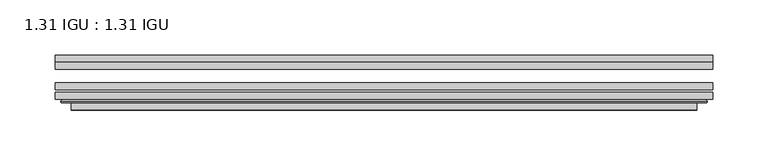
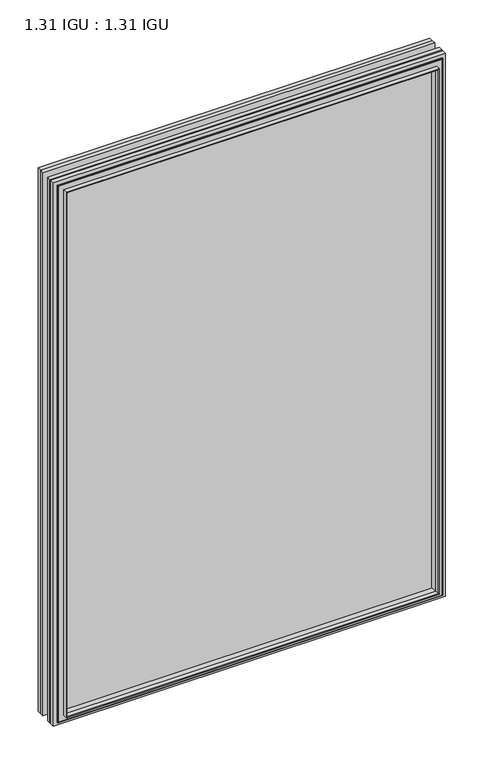
"""IFC4 building model written with IfcOpenShell, lengths in millimetres: plate geometry, 1.31 IGU : 1.31 IGU."""

from ifc_helpers import new_model, si_unit, frame, origin, place, context, project, spatial, polyline, ellipse_curve, outline, extrude, faceted_brep, source, transform, mapped, element, save
from ifc_brep_helpers import plane_surface, cylinder_surface, advanced_brep


def plate_1_31_igu_1_31_igu_263f40d9(model_context):
    return source(origin(), model_context, "Body", "SolidModel", [
        extrude(outline(polyline([(296.7310218, -66.4725937), (296.7310218, -72.8225938), (-296.7168469, -72.8225938), (-296.7168469, -66.4725937), (296.7310218, -66.4725937)])), frame((0.0, 0.0, -14.2875), z_axis=(0.0, 0.0, 1.0), x_axis=(1.0, 0.0, 0.0)), (0.0, 0.0, 1.0), 869.9537979),
        extrude(outline(polyline([(-296.7168469, -81.4585938), (-296.7168469, -75.1080887), (296.7310218, -75.1080887), (296.7310218, -81.4585938), (-296.7168469, -81.4585938)])), frame((0.0, 0.0, -14.2875), z_axis=(0.0, 0.0, 1.0), x_axis=(1.0, 0.0, 0.0)), (0.0, 0.0, 1.0), 869.9537979),
        extrude(outline(polyline([(296.7310218, -48.1337937), (296.7310218, -54.4837938), (-296.7168469, -54.4837938), (-296.7168469, -48.1337937), (296.7310218, -48.1337937)])), frame((0.0, 0.0, -14.2875), z_axis=(0.0, 0.0, 1.0), x_axis=(1.0, 0.0, 0.0)), (0.0, 0.0, 1.0), 869.9537979),
        faceted_brep([(-282.4240371, -41.7837938, 841.3696902), (-281.5316028, -48.1337937, 840.4772559), (-281.5316028, -48.1337937, 0.8977441), (-282.4240371, -41.7837938, 0.0053098), (-296.7295469, -48.1337937, 855.6752), (-296.7295469, -41.7837938, 855.6752), (-296.7295469, -41.7837938, -14.3002), (-296.7295469, -48.1337937, -14.3002), (281.5316028, -48.1337937, 0.8977441), (282.4240371, -41.7837938, 0.0053098), (296.7295469, -41.7837938, -14.3002), (296.7295469, -48.1337937, -14.3002), (281.5316028, -48.1337937, 840.4772559), (282.4240371, -41.7837938, 841.3696902), (296.7295469, -41.7837938, 855.6752), (296.7295469, -48.1337937, 855.6752)], [[[0, 1, 2, 3]], [[4, 5, 6, 7]], [[3, 2, 8, 9]], [[7, 6, 10, 11]], [[9, 8, 12, 13]], [[11, 10, 14, 15]], [[7, 11, 15, 4], [1, 12, 8, 2]], [[13, 12, 1, 0]], [[5, 14, 10, 6], [3, 9, 13, 0]], [[15, 14, 5, 4]]]),
        advanced_brep(
        [(-290.8279818, -84.6335938, 849.7736349), (-291.8297713, -83.4482604, 850.7754244), (-291.8297713, -83.4482604, -9.4004244), (-290.8279818, -84.6335938, -8.3986349), (-282.4239253, -91.0948368, 841.3695784), (-282.4239253, -84.6335938, 841.3695784), (-282.4239253, -84.6335938, 0.0054216), (-282.4239253, -91.0948368, 0.0054216), (-281.4332685, -90.6958619, 840.3789217), (-281.4332685, -90.6958619, 0.9960783), (-280.4012408, -85.2986307, 839.3468939), (-280.4012408, -85.2986307, 2.0281061), (-275.4664089, -81.4585938, 834.4120621), (-275.4664089, -81.4585938, 6.9629379), (-289.4755659, -81.4585938, 848.421219), (-289.4755659, -81.4585938, -7.046219), (291.8297713, -83.4482604, -9.4004244), (290.8279818, -84.6335938, -8.3986349), (282.4239253, -84.6335938, 0.0054216), (282.4239253, -91.0948368, 0.0054216), (281.4332685, -90.6958619, 0.9960783), (280.4012408, -85.2986307, 2.0281061), (275.4664089, -81.4585938, 6.9629379), (289.4755659, -81.4585938, -7.046219), (291.8297713, -83.4482604, 850.7754244), (290.8279818, -84.6335938, 849.7736349), (282.4239253, -84.6335938, 841.3695784), (282.4239253, -91.0948368, 841.3695784), (281.4332685, -90.6958619, 840.3789217), (280.4012408, -85.2986307, 839.3468939), (275.4664089, -81.4585938, 834.4120621), (289.4755659, -81.4585938, 848.421219)],
        [
            (0, 1, ellipse_curve(frame((-290.8279818, -83.6175938, 849.7736349), z_axis=(-0.7071067811865475, 0.0, -0.7071067811865475), x_axis=(-0.7071067811865474, 0.0, 0.7071067811865476)), 1.436841, 1.016)),
            (1, 2),
            (2, 3, ellipse_curve(frame((-290.8279818, -83.6175938, -8.3986349), z_axis=(-0.7071067811865475, 0.0, 0.7071067811865475), x_axis=(0.7071067811865474, 0.0, 0.7071067811865476)), 1.436841, 1.016)),
            (3, 0),
            (4, 5),
            (5, 6),
            (6, 7),
            (7, 4),
            (8, 4, ellipse_curve(frame((-282.0569687, -90.5766015, 841.0026219), z_axis=(-0.7071067811865475, 0.0, -0.7071067811865475), x_axis=(-0.7071067811865474, 0.0, 0.7071067811865476)), 0.8980256, 0.635)),
            (7, 9, ellipse_curve(frame((-282.0569687, -90.5766015, 0.3723781), z_axis=(-0.7071067811865475, 0.0, 0.7071067811865475), x_axis=(0.7071067811865474, 0.0, 0.7071067811865476)), 0.8980256, 0.635)),
            (9, 8),
            (10, 8),
            (9, 11),
            (11, 10),
            (12, 10),
            (11, 13),
            (13, 12),
            (1, 14, ellipse_curve(frame((-289.4755659, -83.8461938, 848.421219), z_axis=(-0.7071067811865475, 0.0, -0.7071067811865475), x_axis=(-0.7071067811865474, 0.0, 0.7071067811865476)), 3.3765763, 2.3876)),
            (14, 15),
            (15, 2, ellipse_curve(frame((-289.4755659, -83.8461938, -7.046219), z_axis=(-0.7071067811865475, 0.0, 0.7071067811865475), x_axis=(0.7071067811865474, 0.0, 0.7071067811865476)), 3.3765763, 2.3876)),
            (2, 16),
            (16, 17, ellipse_curve(frame((290.8279818, -83.6175938, -8.3986349), z_axis=(-0.7071067811865475, 0.0, -0.7071067811865475), x_axis=(-0.7071067811865476, 0.0, 0.7071067811865474)), 1.436841, 1.016)),
            (17, 3),
            (6, 18),
            (18, 19),
            (19, 7),
            (19, 20, ellipse_curve(frame((282.0569687, -90.5766015, 0.3723781), z_axis=(-0.7071067811865475, 0.0, -0.7071067811865475), x_axis=(-0.7071067811865476, 0.0, 0.7071067811865474)), 0.8980256, 0.635)),
            (20, 9),
            (20, 21),
            (21, 11),
            (21, 22),
            (22, 13),
            (15, 23),
            (23, 16, ellipse_curve(frame((289.4755659, -83.8461938, -7.046219), z_axis=(-0.7071067811865475, 0.0, -0.7071067811865475), x_axis=(-0.7071067811865476, 0.0, 0.7071067811865474)), 3.3765763, 2.3876)),
            (16, 24),
            (24, 25, ellipse_curve(frame((290.8279818, -83.6175938, 849.7736349), z_axis=(0.7071067811865475, 0.0, -0.7071067811865475), x_axis=(-0.7071067811865474, 0.0, -0.7071067811865476)), 1.436841, 1.016)),
            (25, 17),
            (18, 26),
            (26, 27),
            (27, 19),
            (27, 28, ellipse_curve(frame((282.0569687, -90.5766015, 841.0026219), z_axis=(0.7071067811865475, 0.0, -0.7071067811865475), x_axis=(-0.7071067811865474, 0.0, -0.7071067811865476)), 0.8980256, 0.635)),
            (28, 20),
            (28, 29),
            (29, 21),
            (29, 30),
            (30, 22),
            (23, 31),
            (31, 24, ellipse_curve(frame((289.4755659, -83.8461938, 848.421219), z_axis=(0.7071067811865475, 0.0, -0.7071067811865475), x_axis=(-0.7071067811865474, 0.0, -0.7071067811865476)), 3.3765763, 2.3876)),
            (24, 1),
            (0, 25),
            (5, 26),
            (4, 27),
            (8, 28),
            (10, 29),
            (12, 30),
            (14, 31),
        ],
        [
            cylinder_surface(frame((-290.8279818, -83.6175938, 873.125), z_axis=(0.0, 0.0, 1.0), x_axis=(-1.0, 0.0, 0.0)), 1.016),
            plane_surface(frame((-282.4239253, -84.6335938, 841.3695784), z_axis=(-1.0, 0.0, 0.0), x_axis=(0.0, 0.0, -1.0))),
            cylinder_surface(frame((-282.0569687, -90.5766015, 873.125), z_axis=(0.0, 0.0, 1.0), x_axis=(-1.0, 0.0, 0.0)), 0.635),
            plane_surface(frame((-281.4332685, -90.6958619, 840.3789217), z_axis=(0.9822050625507717, -0.1878116479338675, 0.0), x_axis=(0.0, 0.0, -1.0))),
            plane_surface(frame((-280.4012408, -85.2986307, 839.3468939), z_axis=(0.6141233906514726, -0.7892100234124875, 0.0), x_axis=(0.0, 0.0, -1.0))),
            cylinder_surface(frame((-289.4755659, -83.8461938, 873.125), z_axis=(0.0, 0.0, 1.0), x_axis=(-1.0, 0.0, 0.0)), 2.3876),
            cylinder_surface(frame((-314.1793469, -83.6175938, -8.3986349), z_axis=(-1.0, 0.0, 0.0), x_axis=(0.0, 0.0, -1.0)), 1.016),
            plane_surface(frame((-282.4239253, -84.6335938, 0.0054216), z_axis=(0.0, 0.0, -1.0), x_axis=(1.0, 0.0, 0.0))),
            cylinder_surface(frame((-314.1793469, -90.5766015, 0.3723781), z_axis=(-1.0, 0.0, 0.0), x_axis=(0.0, 0.0, -1.0)), 0.635),
            plane_surface(frame((-281.4332685, -90.6958619, 0.9960783), z_axis=(0.0, -0.18781164793386435, 0.9822050625507722), x_axis=(1.0, 0.0, 0.0))),
            plane_surface(frame((-280.4012408, -85.2986307, 2.0281061), z_axis=(0.0, -0.7892100234124855, 0.6141233906514751), x_axis=(1.0, 0.0, 0.0))),
            cylinder_surface(frame((-314.1793469, -83.8461938, -7.046219), z_axis=(-1.0, 0.0, 0.0), x_axis=(0.0, 0.0, -1.0)), 2.3876),
            cylinder_surface(frame((290.8279818, -83.6175938, -31.75), z_axis=(0.0, 0.0, -1.0), x_axis=(1.0, 0.0, 0.0)), 1.016),
            plane_surface(frame((282.4239253, -84.6335938, 0.0054216), z_axis=(1.0, 0.0, 0.0), x_axis=(0.0, 0.0, 1.0))),
            cylinder_surface(frame((282.0569687, -90.5766015, -31.75), z_axis=(0.0, 0.0, -1.0), x_axis=(1.0, 0.0, 0.0)), 0.635),
            plane_surface(frame((281.4332685, -90.6958619, 0.9960783), z_axis=(-0.9822050625507728, -0.18781164793386118, 0.0), x_axis=(0.0, 0.0, 1.0))),
            plane_surface(frame((280.4012408, -85.2986307, 2.0281061), z_axis=(-0.6141233906514777, -0.7892100234124835, 0.0), x_axis=(0.0, 0.0, 1.0))),
            cylinder_surface(frame((289.4755659, -83.8461938, -31.75), z_axis=(0.0, 0.0, -1.0), x_axis=(1.0, 0.0, 0.0)), 2.3876),
            cylinder_surface(frame((314.1793469, -83.6175938, 849.7736349), z_axis=(1.0, 0.0, 0.0), x_axis=(0.0, 0.0, 1.0)), 1.016),
            plane_surface(frame((290.8279818, -84.6335938, 849.7736349), z_axis=(0.0, -1.0, 0.0), x_axis=(-1.0, 0.0, 0.0))),
            plane_surface(frame((282.4239253, -84.6335938, 841.3695784), z_axis=(0.0, 0.0, 1.0), x_axis=(-1.0, 0.0, 0.0))),
            cylinder_surface(frame((314.1793469, -90.5766015, 841.0026219), z_axis=(1.0, 0.0, 0.0), x_axis=(0.0, 0.0, 1.0)), 0.635),
            plane_surface(frame((281.4332685, -90.6958619, 840.3789217), z_axis=(0.0, -0.18781164793386435, -0.9822050625507722), x_axis=(-1.0, 0.0, 0.0))),
            plane_surface(frame((280.4012408, -85.2986307, 839.3468939), z_axis=(0.0, -0.7892100234124855, -0.6141233906514751), x_axis=(-1.0, 0.0, 0.0))),
            plane_surface(frame((275.4664089, -81.4585938, 834.4120621), z_axis=(0.0, 1.0, 0.0), x_axis=(-1.0, 0.0, 0.0))),
            cylinder_surface(frame((314.1793469, -83.8461938, 848.421219), z_axis=(1.0, 0.0, 0.0), x_axis=(0.0, 0.0, 1.0)), 2.3876),
        ],
        [
            (0, [[1, 2, 3, 4]]),
            (1, [[5, 6, 7, 8]]),
            (2, [[9, -8, 10, 11]]),
            (3, [[12, -11, 13, 14]]),
            (4, [[15, -14, 16, 17]]),
            (5, [[18, 19, 20, -2]]),
            (6, [[-3, 21, 22, 23]]),
            (7, [[-7, 24, 25, 26]]),
            (8, [[-10, -26, 27, 28]]),
            (9, [[-13, -28, 29, 30]]),
            (10, [[-16, -30, 31, 32]]),
            (11, [[-20, 33, 34, -21]]),
            (12, [[-22, 35, 36, 37]]),
            (13, [[-25, 38, 39, 40]]),
            (14, [[-27, -40, 41, 42]]),
            (15, [[-29, -42, 43, 44]]),
            (16, [[-31, -44, 45, 46]]),
            (17, [[-34, 47, 48, -35]]),
            (18, [[-36, 49, -1, 50]]),
            (19, [[-23, -37, -50, -4], [51, -38, -24, -6]]),
            (20, [[-39, -51, -5, 52]]),
            (21, [[-41, -52, -9, 53]]),
            (22, [[-43, -53, -12, 54]]),
            (23, [[-45, -54, -15, 55]]),
            (24, [[56, -47, -33, -19], [-32, -46, -55, -17]]),
            (25, [[-48, -56, -18, -49]]),
        ],
    ),
    ])


if __name__ == "__main__":
    model = new_model("IFC4")
    model_context = context("Model", 3, world=origin())
    ifc_project = project(units=[si_unit("LENGTHUNIT", "METRE", prefix="MILLI")], contexts=[model_context])
    site = spatial("IfcSite", under=ifc_project)
    building = spatial("IfcBuilding", under=site)
    placement = place(None, origin())
    plate_1_31_igu_1_31_igu_shape = plate_1_31_igu_1_31_igu_263f40d9(model_context)
    element("IfcPlate", 1, ObjectType="1.31 IGU : 1.31 IGU", at=placement, inside=building, context=model_context, shape_type="MappedRepresentation", body=[
        mapped(plate_1_31_igu_1_31_igu_shape, transform((0.0, 0.0, 0.0), x_axis=(1.0, 0.0, 0.0), y_axis=(0.0, 1.0, 0.0), z_axis=(0.0, 0.0, 1.0))),
    ])
    save(model, "model.ifc")
